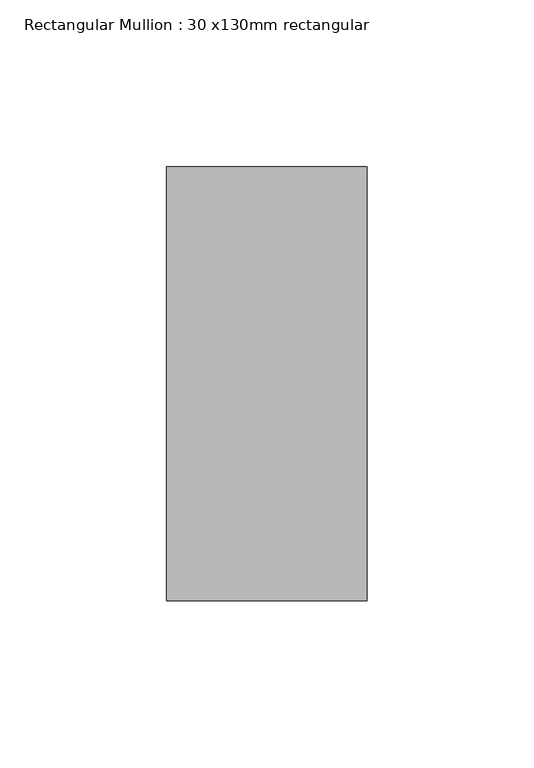
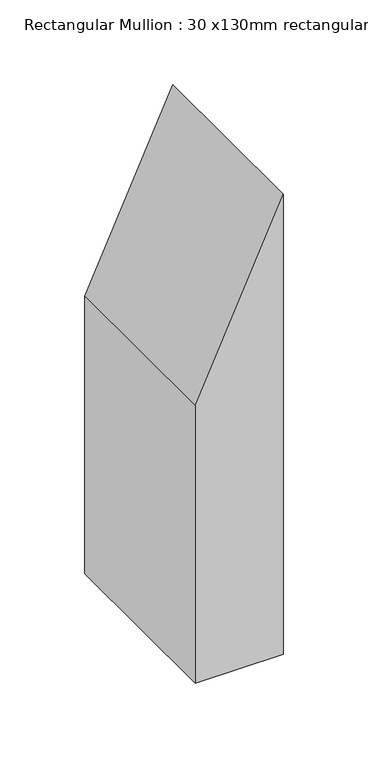
"""IFC4 building model written with IfcOpenShell, lengths in millimetres: member geometry, Rectangular Mullion : 30 x130mm rectangular."""

from ifc_helpers import new_model, si_unit, frame, origin, place, context, project, spatial, polyline, outline, extrude, source, transform, mapped, element, save


def rectangular_mullion_30_x130mm_rectangular_769ebe8a(model_context):
    return source(origin(), model_context, "Body", "SweptSolid", [
        extrude(outline(polyline([(0.0, 0.0), (-131.3340636, -60.0), (-330.8499997, -60.0), (-330.8499997, 0.0), (0.0, 0.0)])), frame((0.0, -65.0, 0.0), z_axis=(0.0, 1.0, 0.0), x_axis=(0.0, 0.0, 1.0)), (0.0, 0.0, 1.0), 130.0),
    ])


if __name__ == "__main__":
    model = new_model("IFC4")
    model_context = context("Model", 3, world=origin())
    ifc_project = project(units=[si_unit("LENGTHUNIT", "METRE", prefix="MILLI")], contexts=[model_context])
    site = spatial("IfcSite", under=ifc_project)
    building = spatial("IfcBuilding", under=site)
    placement = place(None, origin())
    rectangular_mullion_30_x130mm_rectangular_shape = rectangular_mullion_30_x130mm_rectangular_769ebe8a(model_context)
    element("IfcMember", 1, ObjectType="Rectangular Mullion : 30 x130mm rectangular", at=placement, inside=building, context=model_context, shape_type="MappedRepresentation", body=[
        mapped(rectangular_mullion_30_x130mm_rectangular_shape, transform((0.0, 0.0, 0.0), x_axis=(1.0, 0.0, 0.0), y_axis=(0.0, 1.0, 0.0), z_axis=(0.0, 0.0, 1.0))),
    ])
    save(model, "model.ifc")
